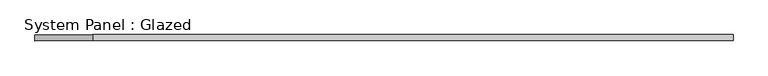
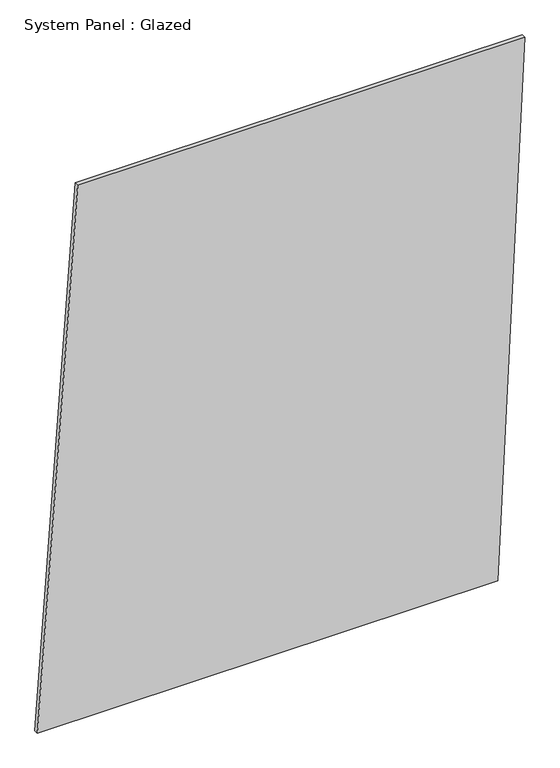
"""IFC4 building model written with IfcOpenShell, lengths in millimetres: plate geometry, System Panel : Glazed."""

from ifc_helpers import new_model, si_unit, frame, origin, place, context, project, spatial, polyline, outline, extrude, source, transform, mapped, element, save


def system_panel_glazed_1b584a08(model_context):
    return source(origin(), model_context, "Body", "SweptSolid", [
        extrude(outline(polyline([(0.0, -1441.5112819), (0.0, 1282.5799217), (3342.1587785, 1441.5112819), (3342.1587785, -1203.1142415), (0.0, -1441.5112819)])), frame((0.0, -49.5, 0.0), z_axis=(0.0, 1.0, 0.0), x_axis=(0.0, 0.0, 1.0)), (0.0, 0.0, 1.0), 25.0),
    ])


if __name__ == "__main__":
    model = new_model("IFC4")
    model_context = context("Model", 3, world=origin())
    ifc_project = project(units=[si_unit("LENGTHUNIT", "METRE", prefix="MILLI")], contexts=[model_context])
    site = spatial("IfcSite", under=ifc_project)
    building = spatial("IfcBuilding", under=site)
    placement = place(None, origin())
    system_panel_glazed_shape = system_panel_glazed_1b584a08(model_context)
    element("IfcPlate", 1, ObjectType="System Panel : Glazed", at=placement, inside=building, context=model_context, shape_type="MappedRepresentation", body=[
        mapped(system_panel_glazed_shape, transform((0.0, 0.0, 0.0), x_axis=(1.0, 0.0, 0.0), y_axis=(0.0, 1.0, 0.0), z_axis=(0.0, 0.0, 1.0))),
    ])
    save(model, "model.ifc")
